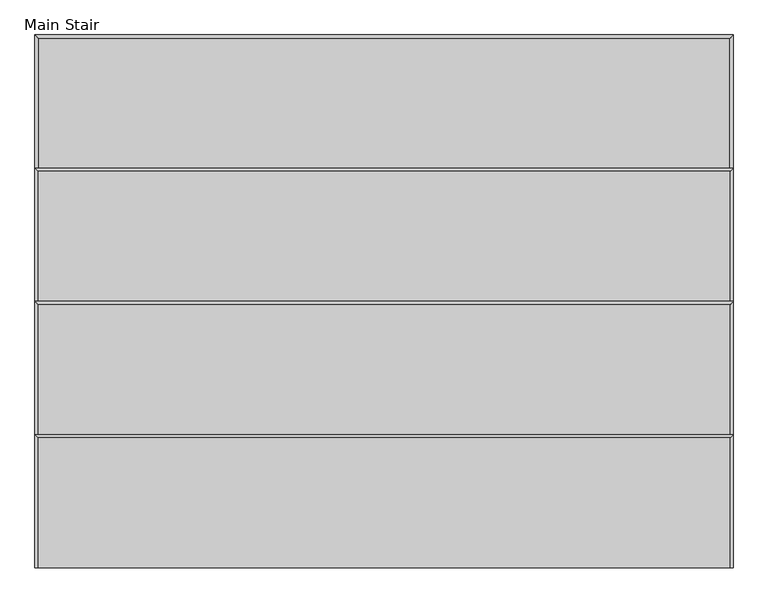
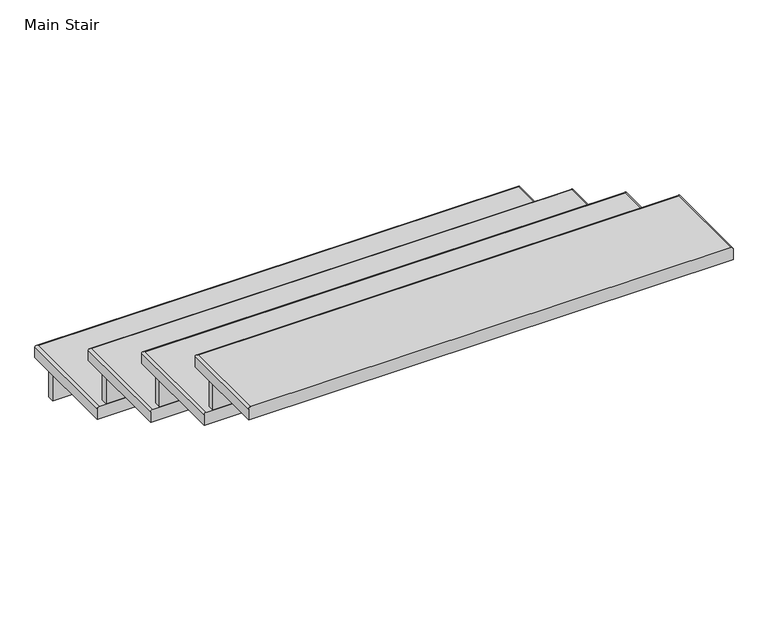
"""IFC4 building model written with IfcOpenShell, lengths in millimetres: stair flight geometry, Main Stair."""

from ifc_helpers import new_model, si_unit, frame, origin, place, context, project, spatial, circle_curve, ellipse_curve, faceted_brep, source, transform, mapped, element, save
from ifc_brep_helpers import plane_surface, cylinder_surface, advanced_brep


def main_stair_8695f97a(model_context):
    return source(origin(), model_context, "Body", "SolidModel", [
        advanced_brep(
        [(21055.3579213, 13205.4999284, -565.15), (21061.7079213, 13205.4999284, -558.8), (21061.7079213, 13510.2999284, -558.8), (21055.3579213, 13516.6499284, -565.15), (21055.3579213, 13205.4999284, -596.9), (21055.3579213, 13516.6499284, -596.9), (22446.1857213, 13510.2999284, -558.8), (22452.5357213, 13516.6499284, -565.15), (22452.5357213, 13516.6499284, -596.9), (22446.1857213, 13205.4999284, -558.8), (22452.5357213, 13205.4999284, -565.15), (22452.5357213, 13205.4999284, -596.9)],
        [
            (0, 1, circle_curve(frame((21061.7079213, 13205.4999284, -565.15), z_axis=(0.0, 1.0, 0.0), x_axis=(1.0, 0.0, 0.0)), 6.35)),
            (1, 2),
            (2, 3, ellipse_curve(frame((21061.7079213, 13510.2999284, -565.15), z_axis=(-0.7071067811865505, -0.7071067811865446, 0.0), x_axis=(0.7071067811865446, -0.7071067811865503, 0.0)), 8.9802561, 6.35)),
            (3, 0),
            (4, 0),
            (3, 5),
            (5, 4),
            (2, 6),
            (6, 7, ellipse_curve(frame((22446.1857213, 13510.2999284, -565.15), z_axis=(-0.7071067811865446, 0.7071067811865505, 0.0), x_axis=(-0.7071067811865503, -0.7071067811865446, 0.0)), 8.9802561, 6.35)),
            (7, 3),
            (7, 8),
            (8, 5),
            (6, 9),
            (9, 10, circle_curve(frame((22446.1857213, 13205.4999284, -565.15), z_axis=(0.0, 1.0, 0.0), x_axis=(-1.0, 0.0, 0.0)), 6.35)),
            (10, 7),
            (10, 11),
            (11, 8),
            (1, 9),
            (11, 4),
        ],
        [
            cylinder_surface(frame((21061.7079213, 13205.4999284, -565.15), z_axis=(0.0, -1.0, 0.0), x_axis=(1.0, 0.0, 0.0)), 6.35),
            plane_surface(frame((21055.3579213, 13205.4999284, -565.15), z_axis=(-1.0, 0.0, 0.0), x_axis=(0.0, 1.0, 0.0))),
            cylinder_surface(frame((21080.7579213, 13510.2999284, -565.15), z_axis=(-1.0, 0.0, 0.0), x_axis=(0.0, -1.0, 0.0)), 6.35),
            plane_surface(frame((21055.3579213, 13516.6499284, -565.15), z_axis=(0.0, 1.0, 0.0), x_axis=(1.0, 0.0, 0.0))),
            cylinder_surface(frame((22446.1857213, 13491.2499284, -565.15), z_axis=(0.0, 1.0, 0.0), x_axis=(-1.0, 0.0, 0.0)), 6.35),
            plane_surface(frame((22452.5357213, 13516.6499284, -565.15), z_axis=(1.0, 0.0, 0.0), x_axis=(0.0, -1.0, 0.0))),
            plane_surface(frame((22427.1357213, 13516.6499284, -558.8), z_axis=(0.0, 0.0, 1.0), x_axis=(0.0, 1.0, 0.0))),
            plane_surface(frame((22427.1357213, 13516.6499284, -596.9), z_axis=(0.0, 0.0, -1.0), x_axis=(0.0, -1.0, 0.0))),
            plane_surface(frame((21080.7579213, 13205.4999284, -558.8), z_axis=(0.0, -1.0, 0.0), x_axis=(0.0, 0.0, -1.0))),
        ],
        [
            (0, [[1, 2, 3, 4]]),
            (1, [[5, -4, 6, 7]]),
            (2, [[-3, 8, 9, 10]]),
            (3, [[-6, -10, 11, 12]]),
            (4, [[-9, 13, 14, 15]]),
            (5, [[-11, -15, 16, 17]]),
            (6, [[-13, -8, -2, 18]]),
            (7, [[-7, -12, -17, 19]]),
            (8, [[-18, -1, -5, -19, -16, -14]]),
        ],
    ),
        faceted_brep([(21080.7579213, 13491.2499284, -596.9), (21080.7579213, 13491.2499284, -711.2), (21080.7579213, 13472.1999284, -711.2), (21080.7579213, 13472.1999284, -596.9), (22427.1357213, 13491.2499284, -596.9), (22427.1357213, 13472.1999284, -596.9), (22427.1357213, 13472.1999284, -711.2), (22427.1357213, 13491.2499284, -711.2)], [[[0, 1, 2, 3]], [[4, 5, 6, 7]], [[1, 0, 4, 7]], [[2, 1, 7, 6]], [[3, 2, 6, 5]], [[0, 3, 5, 4]]]),
        faceted_brep([(21080.7579213, 13224.5499284, -444.5), (21080.7579213, 13224.5499284, -558.8), (21080.7579213, 13205.4999284, -558.8), (21080.7579213, 13205.4999284, -444.5), (22427.1357213, 13224.5499284, -444.5), (22427.1357213, 13205.4999284, -444.5), (22427.1357213, 13205.4999284, -558.8), (22427.1357213, 13224.5499284, -558.8)], [[[0, 1, 2, 3]], [[4, 5, 6, 7]], [[1, 0, 4, 7]], [[2, 1, 7, 6]], [[3, 2, 6, 5]], [[0, 3, 5, 4]]]),
        advanced_brep(
        [(22446.1857213, 12938.7999284, -406.4), (22446.1857213, 13243.5999284, -406.4), (21061.7079213, 13243.5999284, -406.4), (21061.7079213, 12938.7999284, -406.4), (21055.3579213, 12938.7999284, -444.5), (21055.3579213, 13249.9499284, -444.5), (22452.5357213, 13249.9499284, -444.5), (22452.5357213, 12938.7999284, -444.5), (21055.3579213, 12938.7999284, -412.75), (22452.5357213, 12938.7999284, -412.75), (21055.3579213, 13249.9499284, -412.75), (22452.5357213, 13249.9499284, -412.75)],
        [
            (0, 1),
            (1, 2),
            (2, 3),
            (3, 0),
            (4, 5),
            (5, 6),
            (6, 7),
            (7, 4),
            (3, 8, circle_curve(frame((21061.7079213, 12938.7999284, -412.75), z_axis=(0.0, -1.0, 0.0), x_axis=(1.0, 0.0, 0.0)), 6.35)),
            (8, 4),
            (7, 9),
            (9, 0, circle_curve(frame((22446.1857213, 12938.7999284, -412.75), z_axis=(0.0, -1.0, 0.0), x_axis=(-1.0, 0.0, 0.0)), 6.35)),
            (2, 10, ellipse_curve(frame((21061.7079213, 13243.5999284, -412.75), z_axis=(-0.7071067811865562, -0.7071067811865388, 0.0), x_axis=(0.7071067811865389, -0.7071067811865562, 0.0)), 8.9802561, 6.35)),
            (10, 8),
            (10, 5),
            (1, 11, ellipse_curve(frame((22446.1857213, 13243.5999284, -412.75), z_axis=(-0.7071067811865388, 0.7071067811865562, 0.0), x_axis=(-0.7071067811865562, -0.7071067811865387, 0.0)), 8.9802561, 6.35)),
            (11, 10),
            (11, 6),
            (9, 11),
        ],
        [
            plane_surface(frame((22427.1357213, 13516.6499284, -406.4), z_axis=(0.0, 0.0, 1.0), x_axis=(0.0, 1.0, 0.0))),
            plane_surface(frame((22427.1357213, 13516.6499284, -444.5), z_axis=(0.0, 0.0, -1.0), x_axis=(0.0, -1.0, 0.0))),
            plane_surface(frame((21080.7579213, 12938.7999284, -406.4), z_axis=(0.0, -1.0, 0.0), x_axis=(0.0, 0.0, -1.0))),
            cylinder_surface(frame((21061.7079213, 12938.7999284, -412.75), z_axis=(0.0, -1.0, 0.0), x_axis=(1.0, 0.0, 0.0)), 6.35),
            plane_surface(frame((21055.3579213, 12938.7999284, -412.75), z_axis=(-1.0, 0.0, 0.0), x_axis=(0.0, 1.0, 0.0))),
            cylinder_surface(frame((21080.7579213, 13243.5999284, -412.75), z_axis=(-1.0, 0.0, 0.0), x_axis=(0.0, -1.0, 0.0)), 6.35),
            plane_surface(frame((21055.3579213, 13249.9499284, -412.75), z_axis=(0.0, 1.0, 0.0), x_axis=(1.0, 0.0, 0.0))),
            cylinder_surface(frame((22446.1857213, 13224.5499284, -412.75), z_axis=(0.0, 1.0, 0.0), x_axis=(-1.0, 0.0, 0.0)), 6.35),
            plane_surface(frame((22452.5357213, 13249.9499284, -412.75), z_axis=(1.0, 0.0, 0.0), x_axis=(0.0, -1.0, 0.0))),
        ],
        [
            (0, [[1, 2, 3, 4]]),
            (1, [[5, 6, 7, 8]]),
            (2, [[-4, 9, 10, -8, 11, 12]]),
            (3, [[-9, -3, 13, 14]]),
            (4, [[-10, -14, 15, -5]]),
            (5, [[-13, -2, 16, 17]]),
            (6, [[-15, -17, 18, -6]]),
            (7, [[-16, -1, -12, 19]]),
            (8, [[-18, -19, -11, -7]]),
        ],
    ),
        faceted_brep([(21080.7579213, 12957.8499284, -292.1), (21080.7579213, 12957.8499284, -406.4), (21080.7579213, 12938.7999284, -406.4), (21080.7579213, 12938.7999284, -292.1), (22427.1357213, 12957.8499284, -292.1), (22427.1357213, 12938.7999284, -292.1), (22427.1357213, 12938.7999284, -406.4), (22427.1357213, 12957.8499284, -406.4)], [[[0, 1, 2, 3]], [[4, 5, 6, 7]], [[1, 0, 4, 7]], [[2, 1, 7, 6]], [[3, 2, 6, 5]], [[0, 3, 5, 4]]]),
        advanced_brep(
        [(22446.1857213, 12672.0999284, -254.0), (22446.1857213, 12976.8999284, -254.0), (21061.7079213, 12976.8999284, -254.0), (21061.7079213, 12672.0999284, -254.0), (21055.3579213, 12672.0999284, -292.1), (21055.3579213, 12983.2499284, -292.1), (22452.5357213, 12983.2499284, -292.1), (22452.5357213, 12672.0999284, -292.1), (21055.3579213, 12672.0999284, -260.35), (22452.5357213, 12672.0999284, -260.35), (21055.3579213, 12983.2499284, -260.35), (22452.5357213, 12983.2499284, -260.35)],
        [
            (0, 1),
            (1, 2),
            (2, 3),
            (3, 0),
            (4, 5),
            (5, 6),
            (6, 7),
            (7, 4),
            (3, 8, circle_curve(frame((21061.7079213, 12672.0999284, -260.35), z_axis=(0.0, -1.0, 0.0), x_axis=(1.0, 0.0, 0.0)), 6.35)),
            (8, 4),
            (7, 9),
            (9, 0, circle_curve(frame((22446.1857213, 12672.0999284, -260.35), z_axis=(0.0, -1.0, 0.0), x_axis=(-1.0, 0.0, 0.0)), 6.35)),
            (2, 10, ellipse_curve(frame((21061.7079213, 12976.8999284, -260.35), z_axis=(-0.7071067811865562, -0.7071067811865388, 0.0), x_axis=(0.7071067811865389, -0.7071067811865562, 0.0)), 8.9802561, 6.35)),
            (10, 8),
            (10, 5),
            (1, 11, ellipse_curve(frame((22446.1857213, 12976.8999284, -260.35), z_axis=(-0.7071067811865388, 0.7071067811865562, 0.0), x_axis=(-0.7071067811865562, -0.7071067811865387, 0.0)), 8.9802561, 6.35)),
            (11, 10),
            (11, 6),
            (9, 11),
        ],
        [
            plane_surface(frame((22427.1357213, 13249.9499284, -254.0), z_axis=(0.0, 0.0, 1.0), x_axis=(0.0, 1.0, 0.0))),
            plane_surface(frame((22427.1357213, 13249.9499284, -292.1), z_axis=(0.0, 0.0, -1.0), x_axis=(0.0, -1.0, 0.0))),
            plane_surface(frame((21080.7579213, 12672.0999284, -254.0), z_axis=(0.0, -1.0, 0.0), x_axis=(0.0, 0.0, -1.0))),
            cylinder_surface(frame((21061.7079213, 12672.0999284, -260.35), z_axis=(0.0, -1.0, 0.0), x_axis=(1.0, 0.0, 0.0)), 6.35),
            plane_surface(frame((21055.3579213, 12672.0999284, -260.35), z_axis=(-1.0, 0.0, 0.0), x_axis=(0.0, 1.0, 0.0))),
            cylinder_surface(frame((21080.7579213, 12976.8999284, -260.35), z_axis=(-1.0, 0.0, 0.0), x_axis=(0.0, -1.0, 0.0)), 6.35),
            plane_surface(frame((21055.3579213, 12983.2499284, -260.35), z_axis=(0.0, 1.0, 0.0), x_axis=(1.0, 0.0, 0.0))),
            cylinder_surface(frame((22446.1857213, 12957.8499284, -260.35), z_axis=(0.0, 1.0, 0.0), x_axis=(-1.0, 0.0, 0.0)), 6.35),
            plane_surface(frame((22452.5357213, 12983.2499284, -260.35), z_axis=(1.0, 0.0, 0.0), x_axis=(0.0, -1.0, 0.0))),
        ],
        [
            (0, [[1, 2, 3, 4]]),
            (1, [[5, 6, 7, 8]]),
            (2, [[-4, 9, 10, -8, 11, 12]]),
            (3, [[-9, -3, 13, 14]]),
            (4, [[-10, -14, 15, -5]]),
            (5, [[-13, -2, 16, 17]]),
            (6, [[-15, -17, 18, -6]]),
            (7, [[-16, -1, -12, 19]]),
            (8, [[-18, -19, -11, -7]]),
        ],
    ),
        faceted_brep([(21080.7579213, 12691.1499284, -139.7), (21080.7579213, 12691.1499284, -254.0), (21080.7579213, 12672.0999284, -254.0), (21080.7579213, 12672.0999284, -139.7), (22427.1357213, 12691.1499284, -139.7), (22427.1357213, 12672.0999284, -139.7), (22427.1357213, 12672.0999284, -254.0), (22427.1357213, 12691.1499284, -254.0)], [[[0, 1, 2, 3]], [[4, 5, 6, 7]], [[1, 0, 4, 7]], [[2, 1, 7, 6]], [[3, 2, 6, 5]], [[0, 3, 5, 4]]]),
        advanced_brep(
        [(22446.1857213, 12449.8499284, -101.6), (22446.1857213, 12710.1999284, -101.6), (21061.7079213, 12710.1999284, -101.6), (21061.7079213, 12449.8499284, -101.6), (21055.3579213, 12449.8499284, -139.7), (21055.3579213, 12716.5499284, -139.7), (22452.5357213, 12716.5499284, -139.7), (22452.5357213, 12449.8499284, -139.7), (21055.3579213, 12449.8499284, -107.95), (22452.5357213, 12449.8499284, -107.95), (21055.3579213, 12716.5499284, -107.95), (22452.5357213, 12716.5499284, -107.95)],
        [
            (0, 1),
            (1, 2),
            (2, 3),
            (3, 0),
            (4, 5),
            (5, 6),
            (6, 7),
            (7, 4),
            (3, 8, circle_curve(frame((21061.7079213, 12449.8499284, -107.95), z_axis=(0.0, -1.0, 0.0), x_axis=(1.0, 0.0, 0.0)), 6.35)),
            (8, 4),
            (7, 9),
            (9, 0, circle_curve(frame((22446.1857213, 12449.8499284, -107.95), z_axis=(0.0, -1.0, 0.0), x_axis=(-1.0, 0.0, 0.0)), 6.35)),
            (2, 10, ellipse_curve(frame((21061.7079213, 12710.1999284, -107.95), z_axis=(-0.7071067811865562, -0.7071067811865388, 0.0), x_axis=(0.7071067811865389, -0.7071067811865562, 0.0)), 8.9802561, 6.35)),
            (10, 8),
            (10, 5),
            (1, 11, ellipse_curve(frame((22446.1857213, 12710.1999284, -107.95), z_axis=(-0.7071067811865388, 0.7071067811865562, 0.0), x_axis=(-0.7071067811865562, -0.7071067811865387, 0.0)), 8.9802561, 6.35)),
            (11, 10),
            (11, 6),
            (9, 11),
        ],
        [
            plane_surface(frame((22427.1357213, 13516.6499284, -101.6), z_axis=(0.0, 0.0, 1.0), x_axis=(0.0, 1.0, 0.0))),
            plane_surface(frame((22427.1357213, 13516.6499284, -139.7), z_axis=(0.0, 0.0, -1.0), x_axis=(0.0, -1.0, 0.0))),
            plane_surface(frame((21080.7579213, 12449.8499284, -101.6), z_axis=(0.0, -1.0, 0.0), x_axis=(0.0, 0.0, -1.0))),
            cylinder_surface(frame((21061.7079213, 12449.8499284, -107.95), z_axis=(0.0, -1.0, 0.0), x_axis=(1.0, 0.0, 0.0)), 6.35),
            plane_surface(frame((21055.3579213, 12449.8499284, -107.95), z_axis=(-1.0, 0.0, 0.0), x_axis=(0.0, 1.0, 0.0))),
            cylinder_surface(frame((21080.7579213, 12710.1999284, -107.95), z_axis=(-1.0, 0.0, 0.0), x_axis=(0.0, -1.0, 0.0)), 6.35),
            plane_surface(frame((21055.3579213, 12716.5499284, -107.95), z_axis=(0.0, 1.0, 0.0), x_axis=(1.0, 0.0, 0.0))),
            cylinder_surface(frame((22446.1857213, 12691.1499284, -107.95), z_axis=(0.0, 1.0, 0.0), x_axis=(-1.0, 0.0, 0.0)), 6.35),
            plane_surface(frame((22452.5357213, 12716.5499284, -107.95), z_axis=(1.0, 0.0, 0.0), x_axis=(0.0, -1.0, 0.0))),
        ],
        [
            (0, [[1, 2, 3, 4]]),
            (1, [[5, 6, 7, 8]]),
            (2, [[-4, 9, 10, -8, 11, 12]]),
            (3, [[-9, -3, 13, 14]]),
            (4, [[-10, -14, 15, -5]]),
            (5, [[-13, -2, 16, 17]]),
            (6, [[-15, -17, 18, -6]]),
            (7, [[-16, -1, -12, 19]]),
            (8, [[-18, -19, -11, -7]]),
        ],
    ),
    ])


if __name__ == "__main__":
    model = new_model("IFC4")
    model_context = context("Model", 3, world=origin())
    ifc_project = project(units=[si_unit("LENGTHUNIT", "METRE", prefix="MILLI")], contexts=[model_context])
    site = spatial("IfcSite", under=ifc_project)
    building = spatial("IfcBuilding", under=site)
    placement = place(None, origin())
    main_stair_shape = main_stair_8695f97a(model_context)
    element("IfcStairFlight", 1, ObjectType="Main Stair", at=placement, inside=building, context=model_context, shape_type="MappedRepresentation", body=[
        mapped(main_stair_shape, transform((0.0, 0.0, 0.0), x_axis=(1.0, 0.0, 0.0), y_axis=(0.0, 1.0, 0.0), z_axis=(0.0, 0.0, 1.0))),
    ])
    save(model, "model.ifc")
